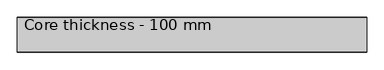
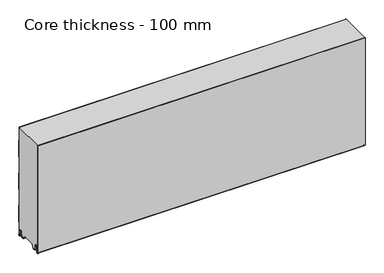
"""IFC4 building model written with IfcOpenShell, lengths in millimetres: plate geometry, Core thickness - 100 mm."""

from ifc_helpers import new_model, si_unit, frame, origin, place, context, project, spatial, polyline, circle_curve, source, transform, mapped, element, save
from ifc_brep_helpers import plane_surface, cylinder_surface, revolved_surface, advanced_brep


def core_thickness_100_mm_38ef90a8(model_context):
    return source(origin(), model_context, "Body", "AdvancedBrep", [
        advanced_brep(
        [(500.0000002, -99.9996949, 3.0900682), (500.0000002, -93.81449, 2.7875612), (500.0000002, -92.197116, 19.2828169), (500.0000002, -89.1776715, 21.9898782), (500.0000002, -86.1582271, 19.2828169), (500.0000002, -84.7725998, 5.1510966), (500.0000002, -80.3830995, 5.365779), (500.0000002, -81.1830995, 5.365779), (500.0000002, -83.9764178, 5.2291629), (500.0000002, -85.3620451, 19.3608832), (500.0000002, -89.1776715, 22.7899182), (500.0000002, -92.9932979, 19.3608832), (500.0000002, -94.6106719, 2.8656275), (500.0000002, -99.1996949, 3.0900682), (500.0000002, -99.2, 350.0), (500.0000002, -99.9996949, 350.0), (-500.0000002, -99.1996949, 3.0900682), (-500.0000002, -94.6106719, 2.8656275), (-500.0000002, -92.9932979, 19.3608832), (-500.0000002, -89.1776715, 22.7899182), (-500.0000002, -85.3620451, 19.3608832), (-500.0000002, -83.9764178, 5.2291629), (-500.0000002, -81.1830995, 5.365779), (-500.0000002, -80.3830995, 5.365779), (-500.0000002, -84.7725998, 5.1510966), (-500.0000002, -86.1582271, 19.2828169), (-500.0000002, -89.1776715, 21.9898782), (-500.0000002, -92.197116, 19.2828169), (-500.0000002, -93.81449, 2.7875612), (-500.0000002, -99.9996949, 3.0900682), (-500.0000002, -99.9996949, 350.0), (-500.0000002, -99.2, 350.0)],
        [
            (0, 1, circle_curve(frame((500.0000002, -96.8996949, 3.0900682), z_axis=(1.0, 0.0, 0.0), x_axis=(0.0, 0.0, -1.0)), 3.1)),
            (1, 2),
            (2, 3, circle_curve(frame((500.0000002, -89.2114338, 18.9900682), z_axis=(-1.0, 0.0, 0.0), x_axis=(0.0, 0.0, -1.0)), 3.0)),
            (3, 4, circle_curve(frame((500.0000002, -89.1439093, 18.9900682), z_axis=(-1.0, 0.0, 0.0), x_axis=(0.0, 0.0, -1.0)), 3.0)),
            (4, 5),
            (5, 6, circle_curve(frame((500.0000002, -82.5830995, 5.365779), z_axis=(1.0, 0.0, 0.0), x_axis=(0.0, 0.0, -1.0)), 2.2)),
            (6, 7),
            (7, 8, circle_curve(frame((500.0000002, -82.5830995, 5.365779), z_axis=(-1.0, 0.0, 0.0), x_axis=(0.0, 0.0, -1.0)), 1.4)),
            (8, 9),
            (9, 10, circle_curve(frame((500.0000002, -89.1439093, 18.9900682), z_axis=(1.0, 0.0, 0.0), x_axis=(0.0, 0.0, -1.0)), 3.8)),
            (10, 11, circle_curve(frame((500.0000002, -89.2114338, 18.9900682), z_axis=(1.0, 0.0, 0.0), x_axis=(0.0, 0.0, -1.0)), 3.8)),
            (11, 12),
            (12, 13, circle_curve(frame((500.0000002, -96.8996949, 3.0900682), z_axis=(-1.0, 0.0, 0.0), x_axis=(0.0, 0.0, -1.0)), 2.3)),
            (13, 14),
            (14, 15),
            (15, 0),
            (16, 17, circle_curve(frame((-500.0000002, -96.8996949, 3.0900682), z_axis=(1.0, 0.0, 0.0), x_axis=(0.0, 0.0, -1.0)), 2.3)),
            (17, 18),
            (18, 19, circle_curve(frame((-500.0000002, -89.2114338, 18.9900682), z_axis=(-1.0, 0.0, 0.0), x_axis=(0.0, 0.0, -1.0)), 3.8)),
            (19, 20, circle_curve(frame((-500.0000002, -89.1439093, 18.9900682), z_axis=(-1.0, 0.0, 0.0), x_axis=(0.0, 0.0, -1.0)), 3.8)),
            (20, 21),
            (21, 22, circle_curve(frame((-500.0000002, -82.5830995, 5.365779), z_axis=(1.0, 0.0, 0.0), x_axis=(0.0, 0.0, -1.0)), 1.4)),
            (22, 23),
            (23, 24, circle_curve(frame((-500.0000002, -82.5830995, 5.365779), z_axis=(-1.0, 0.0, 0.0), x_axis=(0.0, 0.0, -1.0)), 2.2)),
            (24, 25),
            (25, 26, circle_curve(frame((-500.0000002, -89.1439093, 18.9900682), z_axis=(1.0, 0.0, 0.0), x_axis=(0.0, 0.0, -1.0)), 3.0)),
            (26, 27, circle_curve(frame((-500.0000002, -89.2114338, 18.9900682), z_axis=(1.0, 0.0, 0.0), x_axis=(0.0, 0.0, -1.0)), 3.0)),
            (27, 28),
            (28, 29, circle_curve(frame((-500.0000002, -96.8996949, 3.0900682), z_axis=(-1.0, 0.0, 0.0), x_axis=(0.0, 0.0, -1.0)), 3.1)),
            (29, 30),
            (30, 31),
            (31, 16),
            (13, 16),
            (31, 14),
            (29, 0),
            (15, 30),
            (12, 17),
            (11, 18),
            (10, 19),
            (9, 20),
            (8, 21),
            (7, 22),
            (6, 23),
            (5, 24),
            (4, 25),
            (3, 26),
            (2, 27),
            (1, 28),
        ],
        [
            plane_surface(frame((500.0000002, -100.0, 0.0), z_axis=(1.0, 0.0, 0.0), x_axis=(0.0, 1.0, 0.0))),
            plane_surface(frame((-500.0000002, -100.0, 0.0), z_axis=(-1.0, 0.0, 0.0), x_axis=(0.0, 1.0, 0.0))),
            plane_surface(frame((500.0000002, -99.2, 3.0900682), z_axis=(0.0, 1.0, 0.0), x_axis=(-1.0, 0.0, 0.0))),
            plane_surface(frame((500.0000002, -99.9996949, 1143.9000005), z_axis=(0.0, -1.0, 0.0), x_axis=(-1.0, 0.0, 0.0))),
            revolved_surface(polyline([(-500.0000002, -96.8996949, 0.7900682000000003), (500.0000002, -96.8996949, 0.7900682000000003)]), (500.0000002, -96.8996949, 3.0900682), (-1.0, 0.0, 0.0)),
            plane_surface(frame((500.0000002, -92.9932979, 19.3608832), z_axis=(0.0, -0.9952273999818314, 0.09758289975914787), x_axis=(-1.0, 0.0, 0.0))),
            cylinder_surface(frame((500.0000002, -89.2114338, 18.9900682), z_axis=(1.0, 0.0, 0.0), x_axis=(0.0, 0.0, -1.0)), 3.8),
            cylinder_surface(frame((500.0000002, -89.1439093, 18.9900682), z_axis=(1.0, 0.0, 0.0), x_axis=(0.0, 0.0, -1.0)), 3.8),
            plane_surface(frame((500.0000002, -83.9764178, 5.2291629), z_axis=(0.0, 0.9952273999818297, 0.09758289975916531), x_axis=(-1.0, 0.0, 0.0))),
            revolved_surface(polyline([(-500.0000002, -82.5830995, 3.965779), (500.0000002, -82.5830995, 3.965779)]), (500.0000002, -82.5830995, 5.365779), (-1.0, 0.0, 0.0)),
            plane_surface(frame((500.0000002, -80.3830995, 5.365779), z_axis=(0.0, 0.0, 1.0), x_axis=(-1.0, 0.0, 0.0))),
            cylinder_surface(frame((500.0000002, -82.5830995, 5.365779), z_axis=(1.0, 0.0, 0.0), x_axis=(0.0, 0.0, -1.0)), 2.2),
            plane_surface(frame((500.0000002, -86.1582271, 19.2828169), z_axis=(0.0, -0.9952273999818296, -0.09758289975916527), x_axis=(-1.0, 0.0, 0.0))),
            revolved_surface(polyline([(-500.0000002, -89.1439093, 15.9900682), (500.0000002, -89.1439093, 15.9900682)]), (500.0000002, -89.1439093, 18.9900682), (-1.0, 0.0, 0.0)),
            revolved_surface(polyline([(-500.0000002, -89.2114338, 15.9900682), (500.0000002, -89.2114338, 15.9900682)]), (500.0000002, -89.2114338, 18.9900682), (-1.0, 0.0, 0.0)),
            plane_surface(frame((500.0000002, -93.81449, 2.7875612), z_axis=(0.0, 0.9952273999818314, -0.09758289975914787), x_axis=(-1.0, 0.0, 0.0))),
            cylinder_surface(frame((500.0000002, -96.8996949, 3.0900682), z_axis=(1.0, 0.0, 0.0), x_axis=(0.0, 0.0, -1.0)), 3.1),
            plane_surface(frame((-500.0000002, 134.0533409, 350.0), z_axis=(0.0, 0.0, 1.0), x_axis=(1.0, 0.0, 0.0))),
        ],
        [
            (0, [[1, 2, 3, 4, 5, 6, 7, 8, 9, 10, 11, 12, 13, 14, 15, 16]]),
            (1, [[17, 18, 19, 20, 21, 22, 23, 24, 25, 26, 27, 28, 29, 30, 31, 32]]),
            (2, [[33, -32, 34, -14]]),
            (3, [[35, -16, 36, -30]]),
            (4, [[-13, 37, -17, -33]]),
            (5, [[-12, 38, -18, -37]]),
            (6, [[-11, 39, -19, -38]]),
            (7, [[-10, 40, -20, -39]]),
            (8, [[-9, 41, -21, -40]]),
            (9, [[-8, 42, -22, -41]]),
            (10, [[-7, 43, -23, -42]]),
            (11, [[-6, 44, -24, -43]]),
            (12, [[-5, 45, -25, -44]]),
            (13, [[-4, 46, -26, -45]]),
            (14, [[-3, 47, -27, -46]]),
            (15, [[-2, 48, -28, -47]]),
            (16, [[-1, -35, -29, -48]]),
            (17, [[-15, -34, -31, -36]]),
        ],
    ),
        advanced_brep(
        [(500.0000002, -69.873448, 15.1417681), (500.0000002, -30.126552, 15.1417681), (500.0000002, -23.4071318, 3.165779), (500.0000002, -17.4169005, 3.165779), (500.0000002, -19.6169005, 5.365779), (500.0000002, -18.8169005, 5.365779), (500.0000002, -16.0235822, 5.2291629), (500.0000002, -14.6379549, 19.3608832), (500.0000002, -10.8223285, 22.7899182), (500.0000002, -7.0067021, 19.3608832), (500.0000002, -5.3893281, 2.8656275), (500.0000002, -1.0794848, 4.1883784), (500.0000002, -1.5003051, 5.8439114), (500.0000002, -1.5003051, 42.0511837), (500.0000002, -1.0971009, 43.4705951), (500.0000002, -0.8, 44.5229805), (500.0000002, -0.8, 94.6827637), (500.0000002, -1.0986697, 95.7341795), (500.0000002, -1.5003051, 97.1545605), (500.0000002, -1.5003051, 147.3143437), (500.0000002, -1.0971009, 148.7337551), (500.0000002, -0.8, 149.7861405), (500.0000002, -0.8, 199.9459237), (500.0000002, -1.0986697, 200.9973395), (500.0000002, -1.5003051, 202.4177205), (500.0000002, -1.5003051, 252.5775037), (500.0000002, -1.0971009, 253.9969151), (500.0000002, -0.8, 255.0493005), (500.0000002, -0.8, 305.2090837), (500.0000002, -1.0986697, 306.2604995), (500.0000002, -1.5003051, 307.6808805), (500.0000002, -1.5003051, 350.0), (500.0000002, -99.2, 350.0), (500.0000002, -99.2, 3.0900682), (500.0000002, -94.6106719, 2.8656275), (500.0000002, -92.9932979, 19.3608832), (500.0000002, -89.1776715, 22.7899182), (500.0000002, -85.3620451, 19.3608832), (500.0000002, -83.9764178, 5.2291629), (500.0000002, -81.1830995, 5.365779), (500.0000002, -80.3830995, 5.365779), (500.0000002, -82.5830995, 3.165779), (500.0000002, -76.5928682, 3.165779), (-500.0000002, -30.126552, 15.1417681), (-500.0000002, -69.873448, 15.1417681), (-500.0000002, -76.5928682, 3.165779), (-500.0000002, -82.5830995, 3.165779), (-500.0000002, -80.3830995, 5.365779), (-500.0000002, -81.1830995, 5.365779), (-500.0000002, -83.9764178, 5.2291629), (-500.0000002, -85.3620451, 19.3608832), (-500.0000002, -89.1776715, 22.7899182), (-500.0000002, -92.9932979, 19.3608832), (-500.0000002, -94.6106719, 2.8656275), (-500.0000002, -99.1996949, 3.0900682), (-500.0000002, -99.2, 350.0), (-500.0000002, -1.5003051, 350.0), (-500.0000002, -1.5003051, 307.6808805), (-500.0000002, -1.0971009, 306.2614691), (-500.0000002, -0.8, 305.2090837), (-500.0000002, -0.8, 255.0493005), (-500.0000002, -1.0986697, 253.9978846), (-500.0000002, -1.5003051, 252.5775037), (-500.0000002, -1.5003051, 202.4177205), (-500.0000002, -1.0971009, 200.9983091), (-500.0000002, -0.8, 199.9459237), (-500.0000002, -0.8, 149.7861405), (-500.0000002, -1.0986697, 148.7347246), (-500.0000002, -1.5003051, 147.3143437), (-500.0000002, -1.5003051, 97.1545605), (-500.0000002, -1.0971009, 95.7351491), (-500.0000002, -0.8, 94.6827637), (-500.0000002, -0.8, 44.5229805), (-500.0000002, -1.0986697, 43.4715646), (-500.0000002, -1.5003051, 42.0511837), (-500.0000002, -1.5003051, 5.8439114), (-500.0000002, -1.0794848, 4.1883784), (-500.0000002, -5.3893281, 2.8656275), (-500.0000002, -7.0067021, 19.3608832), (-500.0000002, -10.8223285, 22.7899182), (-500.0000002, -14.6379549, 19.3608832), (-500.0000002, -16.0235822, 5.2291629), (-500.0000002, -18.8169005, 5.365779), (-500.0000002, -19.6169005, 5.365779), (-500.0000002, -17.4169005, 3.165779), (-500.0000002, -23.4071318, 3.165779)],
        [
            (0, 1),
            (1, 2),
            (2, 3),
            (3, 4, circle_curve(frame((500.0000002, -17.4169005, 5.365779), z_axis=(-1.0, 0.0, 0.0), x_axis=(0.0, 0.0, -1.0)), 2.2)),
            (4, 5),
            (5, 6, circle_curve(frame((500.0000002, -17.4169005, 5.365779), z_axis=(1.0, 0.0, 0.0), x_axis=(0.0, 0.0, -1.0)), 1.4)),
            (6, 7),
            (7, 8, circle_curve(frame((500.0000002, -10.8560907, 18.9900682), z_axis=(-1.0, 0.0, 0.0), x_axis=(0.0, 0.0, -1.0)), 3.8)),
            (8, 9, circle_curve(frame((500.0000002, -10.7885662, 18.9900682), z_axis=(-1.0, 0.0, 0.0), x_axis=(0.0, 0.0, -1.0)), 3.8)),
            (9, 10),
            (10, 11, circle_curve(frame((500.0000002, -3.1003051, 3.0900682), z_axis=(1.0, 0.0, 0.0), x_axis=(0.0, 0.0, -1.0)), 2.3)),
            (11, 12, circle_curve(frame((500.0000002, 1.9665895, 5.8439114), z_axis=(-1.0, 0.0, 0.0), x_axis=(0.0, 0.0, -1.0)), 3.4668946)),
            (12, 13),
            (13, 14, circle_curve(frame((500.0000002, 1.1996949, 42.0511837), z_axis=(-1.0, 0.0, 0.0), x_axis=(0.0, 0.0, -1.0)), 2.7)),
            (14, 15, circle_curve(frame((500.0000002, -2.8, 44.5229805), z_axis=(1.0, 0.0, 0.0), x_axis=(0.0, 0.0, -1.0)), 2.0)),
            (15, 16),
            (16, 17, circle_curve(frame((500.0000002, -2.8, 94.6827637), z_axis=(1.0, 0.0, 0.0), x_axis=(0.0, 0.0, -1.0)), 2.0)),
            (17, 18, circle_curve(frame((500.0000002, 1.1996949, 97.1545605), z_axis=(-1.0, 0.0, 0.0), x_axis=(0.0, 0.0, -1.0)), 2.7)),
            (18, 19),
            (19, 20, circle_curve(frame((500.0000002, 1.1996949, 147.3143437), z_axis=(-1.0, 0.0, 0.0), x_axis=(0.0, 0.0, -1.0)), 2.7)),
            (20, 21, circle_curve(frame((500.0000002, -2.8, 149.7861405), z_axis=(1.0, 0.0, 0.0), x_axis=(0.0, 0.0, -1.0)), 2.0)),
            (21, 22),
            (22, 23, circle_curve(frame((500.0000002, -2.8, 199.9459237), z_axis=(1.0, 0.0, 0.0), x_axis=(0.0, 0.0, -1.0)), 2.0)),
            (23, 24, circle_curve(frame((500.0000002, 1.1996949, 202.4177205), z_axis=(-1.0, 0.0, 0.0), x_axis=(0.0, 0.0, -1.0)), 2.7)),
            (24, 25),
            (25, 26, circle_curve(frame((500.0000002, 1.1996949, 252.5775037), z_axis=(-1.0, 0.0, 0.0), x_axis=(0.0, 0.0, -1.0)), 2.7)),
            (26, 27, circle_curve(frame((500.0000002, -2.8, 255.0493005), z_axis=(1.0, 0.0, 0.0), x_axis=(0.0, 0.0, -1.0)), 2.0)),
            (27, 28),
            (28, 29, circle_curve(frame((500.0000002, -2.8, 305.2090837), z_axis=(1.0, 0.0, 0.0), x_axis=(0.0, 0.0, -1.0)), 2.0)),
            (29, 30, circle_curve(frame((500.0000002, 1.1996949, 307.6808805), z_axis=(-1.0, 0.0, 0.0), x_axis=(0.0, 0.0, -1.0)), 2.7)),
            (30, 31),
            (31, 32),
            (32, 33),
            (33, 34, circle_curve(frame((500.0000002, -96.8996949, 3.0900682), z_axis=(1.0, 0.0, 0.0), x_axis=(0.0, 0.0, -1.0)), 2.3)),
            (34, 35),
            (35, 36, circle_curve(frame((500.0000002, -89.2114338, 18.9900682), z_axis=(-1.0, 0.0, 0.0), x_axis=(0.0, 0.0, -1.0)), 3.8)),
            (36, 37, circle_curve(frame((500.0000002, -89.1439093, 18.9900682), z_axis=(-1.0, 0.0, 0.0), x_axis=(0.0, 0.0, -1.0)), 3.8)),
            (37, 38),
            (38, 39, circle_curve(frame((500.0000002, -82.5830995, 5.365779), z_axis=(1.0, 0.0, 0.0), x_axis=(0.0, 0.0, -1.0)), 1.4)),
            (39, 40),
            (40, 41, circle_curve(frame((500.0000002, -82.5830995, 5.365779), z_axis=(-1.0, 0.0, 0.0), x_axis=(0.0, 0.0, -1.0)), 2.2)),
            (41, 42),
            (42, 0),
            (43, 44),
            (44, 45),
            (45, 46),
            (46, 47, circle_curve(frame((-500.0000002, -82.5830995, 5.365779), z_axis=(1.0, 0.0, 0.0), x_axis=(0.0, 0.0, -1.0)), 2.2)),
            (47, 48),
            (48, 49, circle_curve(frame((-500.0000002, -82.5830995, 5.365779), z_axis=(-1.0, 0.0, 0.0), x_axis=(0.0, 0.0, -1.0)), 1.4)),
            (49, 50),
            (50, 51, circle_curve(frame((-500.0000002, -89.1439093, 18.9900682), z_axis=(1.0, 0.0, 0.0), x_axis=(0.0, 0.0, -1.0)), 3.8)),
            (51, 52, circle_curve(frame((-500.0000002, -89.2114338, 18.9900682), z_axis=(1.0, 0.0, 0.0), x_axis=(0.0, 0.0, -1.0)), 3.8)),
            (52, 53),
            (53, 54, circle_curve(frame((-500.0000002, -96.8996949, 3.0900682), z_axis=(-1.0, 0.0, 0.0), x_axis=(0.0, 0.0, -1.0)), 2.3)),
            (54, 55),
            (55, 56),
            (56, 57),
            (57, 58, circle_curve(frame((-500.0000002, 1.1996949, 307.6808805), z_axis=(1.0, 0.0, 0.0), x_axis=(0.0, 0.0, -1.0)), 2.7)),
            (58, 59, circle_curve(frame((-500.0000002, -2.8, 305.2090837), z_axis=(-1.0, 0.0, 0.0), x_axis=(0.0, 0.0, -1.0)), 2.0)),
            (59, 60),
            (60, 61, circle_curve(frame((-500.0000002, -2.8, 255.0493005), z_axis=(-1.0, 0.0, 0.0), x_axis=(0.0, 0.0, -1.0)), 2.0)),
            (61, 62, circle_curve(frame((-500.0000002, 1.1996949, 252.5775037), z_axis=(1.0, 0.0, 0.0), x_axis=(0.0, 0.0, -1.0)), 2.7)),
            (62, 63),
            (63, 64, circle_curve(frame((-500.0000002, 1.1996949, 202.4177205), z_axis=(1.0, 0.0, 0.0), x_axis=(0.0, 0.0, -1.0)), 2.7)),
            (64, 65, circle_curve(frame((-500.0000002, -2.8, 199.9459237), z_axis=(-1.0, 0.0, 0.0), x_axis=(0.0, 0.0, -1.0)), 2.0)),
            (65, 66),
            (66, 67, circle_curve(frame((-500.0000002, -2.8, 149.7861405), z_axis=(-1.0, 0.0, 0.0), x_axis=(0.0, 0.0, -1.0)), 2.0)),
            (67, 68, circle_curve(frame((-500.0000002, 1.1996949, 147.3143437), z_axis=(1.0, 0.0, 0.0), x_axis=(0.0, 0.0, -1.0)), 2.7)),
            (68, 69),
            (69, 70, circle_curve(frame((-500.0000002, 1.1996949, 97.1545605), z_axis=(1.0, 0.0, 0.0), x_axis=(0.0, 0.0, -1.0)), 2.7)),
            (70, 71, circle_curve(frame((-500.0000002, -2.8, 94.6827637), z_axis=(-1.0, 0.0, 0.0), x_axis=(0.0, 0.0, -1.0)), 2.0)),
            (71, 72),
            (72, 73, circle_curve(frame((-500.0000002, -2.8, 44.5229805), z_axis=(-1.0, 0.0, 0.0), x_axis=(0.0, 0.0, -1.0)), 2.0)),
            (73, 74, circle_curve(frame((-500.0000002, 1.1996949, 42.0511837), z_axis=(1.0, 0.0, 0.0), x_axis=(0.0, 0.0, -1.0)), 2.7)),
            (74, 75),
            (75, 76, circle_curve(frame((-500.0000002, 1.9665895, 5.8439114), z_axis=(1.0, 0.0, 0.0), x_axis=(0.0, 0.0, -1.0)), 3.4668946)),
            (76, 77, circle_curve(frame((-500.0000002, -3.1003051, 3.0900682), z_axis=(-1.0, 0.0, 0.0), x_axis=(0.0, 0.0, -1.0)), 2.3)),
            (77, 78),
            (78, 79, circle_curve(frame((-500.0000002, -10.7885662, 18.9900682), z_axis=(1.0, 0.0, 0.0), x_axis=(0.0, 0.0, -1.0)), 3.8)),
            (79, 80, circle_curve(frame((-500.0000002, -10.8560907, 18.9900682), z_axis=(1.0, 0.0, 0.0), x_axis=(0.0, 0.0, -1.0)), 3.8)),
            (80, 81),
            (81, 82, circle_curve(frame((-500.0000002, -17.4169005, 5.365779), z_axis=(-1.0, 0.0, 0.0), x_axis=(0.0, 0.0, -1.0)), 1.4)),
            (82, 83),
            (83, 84, circle_curve(frame((-500.0000002, -17.4169005, 5.365779), z_axis=(1.0, 0.0, 0.0), x_axis=(0.0, 0.0, -1.0)), 2.2)),
            (84, 85),
            (85, 43),
            (1, 43),
            (85, 2),
            (0, 44),
            (42, 45),
            (64, 23),
            (22, 65),
            (63, 24),
            (62, 25),
            (61, 26),
            (60, 27),
            (59, 28),
            (58, 29),
            (57, 30),
            (56, 31),
            (54, 33),
            (32, 55),
            (84, 3),
            (41, 46),
            (83, 4),
            (82, 5),
            (81, 6),
            (80, 7),
            (79, 8),
            (78, 9),
            (77, 10),
            (76, 11),
            (75, 12),
            (74, 13),
            (73, 14),
            (72, 15),
            (71, 16),
            (70, 17),
            (69, 18),
            (68, 19),
            (67, 20),
            (66, 21),
            (53, 34),
            (52, 35),
            (51, 36),
            (50, 37),
            (49, 38),
            (48, 39),
            (47, 40),
        ],
        [
            plane_surface(frame((500.0000002, 0.0, 0.0), z_axis=(1.0, 0.0, 0.0), x_axis=(0.0, -1.0, 0.0))),
            plane_surface(frame((-500.0000002, 0.0, 0.0), z_axis=(-1.0, 0.0, 0.0), x_axis=(0.0, -1.0, 0.0))),
            plane_surface(frame((500.0000002, -30.126552, 15.1417681), z_axis=(0.0, -0.8721062992196836, -0.4893164649399687), x_axis=(-1.0, 0.0, 0.0))),
            plane_surface(frame((500.0000002, -69.873448, 15.1417681), z_axis=(0.0, 0.0, -1.0), x_axis=(-1.0, 0.0, 0.0))),
            plane_surface(frame((500.0000002, -76.8190247, 2.7627014), z_axis=(0.0, 0.8721062992196852, -0.48931646493996606), x_axis=(-1.0, 0.0, 0.0))),
            cylinder_surface(frame((630.0000002, -2.8, 199.9459237), z_axis=(-1.0, 0.0, 0.0), x_axis=(0.0, 0.0, -1.0)), 2.0),
            revolved_surface(polyline([(500.0000002, 1.1996949, 199.7177205), (-500.00000020000004, 1.1996949, 199.7177205)]), (630.0000002, 1.1996949, 202.4177205), (1.0, 0.0, 0.0)),
            plane_surface(frame((630.0000002, -1.5003051, 252.5775037), z_axis=(0.0, 1.0, 0.0), x_axis=(-1.0, 0.0, 0.0))),
            revolved_surface(polyline([(500.0000002, 1.1996949, 249.8775037), (-500.00000020000004, 1.1996949, 249.8775037)]), (630.0000002, 1.1996949, 252.5775037), (1.0, 0.0, 0.0)),
            cylinder_surface(frame((630.0000002, -2.8, 255.0493005), z_axis=(-1.0, 0.0, 0.0), x_axis=(0.0, 0.0, -1.0)), 2.0),
            plane_surface(frame((630.0000002, -0.8, 305.2090837), z_axis=(0.0, 1.0, 0.0), x_axis=(-1.0, 0.0, 0.0))),
            cylinder_surface(frame((630.0000002, -2.8, 305.2090837), z_axis=(-1.0, 0.0, 0.0), x_axis=(0.0, 0.0, -1.0)), 2.0),
            revolved_surface(polyline([(500.0000002, 1.1996949, 304.9808805), (-500.00000020000004, 1.1996949, 304.9808805)]), (630.0000002, 1.1996949, 307.6808805), (1.0, 0.0, 0.0)),
            plane_surface(frame((630.0000002, -1.5003051, 357.8406637), z_axis=(0.0, 1.0, 0.0), x_axis=(-1.0, 0.0, 0.0))),
            plane_surface(frame((630.0000002, -99.2, 3.0900682), z_axis=(0.0, -1.0, 0.0), x_axis=(-1.0, 0.0, 0.0))),
            plane_surface(frame((-500.0000002, -82.5830995, 3.165779), z_axis=(0.0, 0.0, -1.0), x_axis=(1.0, 0.0, 0.0))),
            revolved_surface(polyline([(500.0000002, -17.4169005, 3.1657789999999997), (-500.00000020000004, -17.4169005, 3.1657789999999997)]), (630.0000002, -17.4169005, 5.365779), (1.0, 0.0, 0.0)),
            plane_surface(frame((630.0000002, -18.8169005, 5.365779), z_axis=(0.0, 0.0, -1.0), x_axis=(-1.0, 0.0, 0.0))),
            cylinder_surface(frame((630.0000002, -17.4169005, 5.365779), z_axis=(-1.0, 0.0, 0.0), x_axis=(0.0, 0.0, -1.0)), 1.4),
            plane_surface(frame((630.0000002, -14.6379549, 19.3608832), z_axis=(0.0, 0.9952273999818297, -0.09758289975916531), x_axis=(-1.0, 0.0, 0.0))),
            revolved_surface(polyline([(500.0000002, -10.8560907, 15.190068199999999), (-500.00000020000004, -10.8560907, 15.190068199999999)]), (630.0000002, -10.8560907, 18.9900682), (1.0, 0.0, 0.0)),
            revolved_surface(polyline([(500.0000002, -10.7885662, 15.190068199999999), (-500.00000020000004, -10.7885662, 15.190068199999999)]), (630.0000002, -10.7885662, 18.9900682), (1.0, 0.0, 0.0)),
            plane_surface(frame((630.0000002, -5.3893281, 2.8656275), z_axis=(0.0, -0.9952273999818314, -0.09758289975914787), x_axis=(-1.0, 0.0, 0.0))),
            cylinder_surface(frame((630.0000002, -3.1003051, 3.0900682), z_axis=(-1.0, 0.0, 0.0), x_axis=(0.0, 0.0, -1.0)), 2.3),
            revolved_surface(polyline([(500.0000002, 1.9665895, 2.3770168), (-500.00000020000004, 1.9665895, 2.3770168)]), (630.0000002, 1.9665895, 5.8439114), (1.0, 0.0, 0.0)),
            plane_surface(frame((630.0000002, -1.5003051, 42.0511837), z_axis=(0.0, 1.0, 0.0), x_axis=(-1.0, 0.0, 0.0))),
            revolved_surface(polyline([(500.0000002, 1.1996949, 39.3511837), (-500.00000020000004, 1.1996949, 39.3511837)]), (630.0000002, 1.1996949, 42.0511837), (1.0, 0.0, 0.0)),
            cylinder_surface(frame((630.0000002, -2.8, 44.5229805), z_axis=(-1.0, 0.0, 0.0), x_axis=(0.0, 0.0, -1.0)), 2.0),
            plane_surface(frame((630.0000002, -0.8, 94.6827637), z_axis=(0.0, 1.0, 0.0), x_axis=(-1.0, 0.0, 0.0))),
            cylinder_surface(frame((630.0000002, -2.8, 94.6827637), z_axis=(-1.0, 0.0, 0.0), x_axis=(0.0, 0.0, -1.0)), 2.0),
            revolved_surface(polyline([(500.0000002, 1.1996949, 94.4545605), (-500.00000020000004, 1.1996949, 94.4545605)]), (630.0000002, 1.1996949, 97.1545605), (1.0, 0.0, 0.0)),
            plane_surface(frame((630.0000002, -1.5003051, 147.3143437), z_axis=(0.0, 1.0, 0.0), x_axis=(-1.0, 0.0, 0.0))),
            revolved_surface(polyline([(500.0000002, 1.1996949, 144.6143437), (-500.00000020000004, 1.1996949, 144.6143437)]), (630.0000002, 1.1996949, 147.3143437), (1.0, 0.0, 0.0)),
            cylinder_surface(frame((630.0000002, -2.8, 149.7861405), z_axis=(-1.0, 0.0, 0.0), x_axis=(0.0, 0.0, -1.0)), 2.0),
            plane_surface(frame((630.0000002, -0.8, 199.9459237), z_axis=(0.0, 1.0, 0.0), x_axis=(-1.0, 0.0, 0.0))),
            cylinder_surface(frame((630.0000002, -96.8996949, 3.0900682), z_axis=(-1.0, 0.0, 0.0), x_axis=(0.0, 0.0, -1.0)), 2.3),
            plane_surface(frame((630.0000002, -92.9932979, 19.3608832), z_axis=(0.0, 0.9952273999818314, -0.09758289975914787), x_axis=(-1.0, 0.0, 0.0))),
            revolved_surface(polyline([(500.0000002, -89.2114338, 15.190068199999999), (-500.00000020000004, -89.2114338, 15.190068199999999)]), (630.0000002, -89.2114338, 18.9900682), (1.0, 0.0, 0.0)),
            revolved_surface(polyline([(500.0000002, -89.1439093, 15.190068199999999), (-500.00000020000004, -89.1439093, 15.190068199999999)]), (630.0000002, -89.1439093, 18.9900682), (1.0, 0.0, 0.0)),
            plane_surface(frame((630.0000002, -83.9764178, 5.2291629), z_axis=(0.0, -0.9952273999818297, -0.09758289975916531), x_axis=(-1.0, 0.0, 0.0))),
            cylinder_surface(frame((630.0000002, -82.5830995, 5.365779), z_axis=(-1.0, 0.0, 0.0), x_axis=(0.0, 0.0, -1.0)), 1.4),
            plane_surface(frame((630.0000002, -80.3830995, 5.365779), z_axis=(0.0, 0.0, -1.0), x_axis=(-1.0, 0.0, 0.0))),
            revolved_surface(polyline([(500.0000002, -82.5830995, 3.1657789999999997), (-500.00000020000004, -82.5830995, 3.1657789999999997)]), (630.0000002, -82.5830995, 5.365779), (1.0, 0.0, 0.0)),
            plane_surface(frame((-500.0000002, 134.0533409, 350.0), z_axis=(0.0, 0.0, 1.0), x_axis=(1.0, 0.0, 0.0))),
        ],
        [
            (0, [[1, 2, 3, 4, 5, 6, 7, 8, 9, 10, 11, 12, 13, 14, 15, 16, 17, 18, 19, 20, 21, 22, 23, 24, 25, 26, 27, 28, 29, 30, 31, 32, 33, 34, 35, 36, 37, 38, 39, 40, 41, 42, 43]]),
            (1, [[44, 45, 46, 47, 48, 49, 50, 51, 52, 53, 54, 55, 56, 57, 58, 59, 60, 61, 62, 63, 64, 65, 66, 67, 68, 69, 70, 71, 72, 73, 74, 75, 76, 77, 78, 79, 80, 81, 82, 83, 84, 85, 86]]),
            (2, [[87, -86, 88, -2]]),
            (3, [[-1, 89, -44, -87]]),
            (4, [[-89, -43, 90, -45]]),
            (5, [[91, -23, 92, -65]]),
            (6, [[-91, -64, 93, -24]]),
            (7, [[-93, -63, 94, -25]]),
            (8, [[-94, -62, 95, -26]]),
            (9, [[-95, -61, 96, -27]]),
            (10, [[-96, -60, 97, -28]]),
            (11, [[-97, -59, 98, -29]]),
            (12, [[-98, -58, 99, -30]]),
            (13, [[-99, -57, 100, -31]]),
            (14, [[101, -33, 102, -55]]),
            (15, [[-3, -88, -85, 103]]),
            (15, [[-42, 104, -46, -90]]),
            (16, [[105, -4, -103, -84]]),
            (17, [[-105, -83, 106, -5]]),
            (18, [[-106, -82, 107, -6]]),
            (19, [[-107, -81, 108, -7]]),
            (20, [[-108, -80, 109, -8]]),
            (21, [[-109, -79, 110, -9]]),
            (22, [[-110, -78, 111, -10]]),
            (23, [[-111, -77, 112, -11]]),
            (24, [[-112, -76, 113, -12]]),
            (25, [[-113, -75, 114, -13]]),
            (26, [[-114, -74, 115, -14]]),
            (27, [[-115, -73, 116, -15]]),
            (28, [[-116, -72, 117, -16]]),
            (29, [[-117, -71, 118, -17]]),
            (30, [[-118, -70, 119, -18]]),
            (31, [[-119, -69, 120, -19]]),
            (32, [[-120, -68, 121, -20]]),
            (33, [[-121, -67, 122, -21]]),
            (34, [[-122, -66, -92, -22]]),
            (35, [[-101, -54, 123, -34]]),
            (36, [[-123, -53, 124, -35]]),
            (37, [[-124, -52, 125, -36]]),
            (38, [[-125, -51, 126, -37]]),
            (39, [[-126, -50, 127, -38]]),
            (40, [[-127, -49, 128, -39]]),
            (41, [[-128, -48, 129, -40]]),
            (42, [[-129, -47, -104, -41]]),
            (43, [[-100, -56, -102, -32]]),
        ],
    ),
        advanced_brep(
        [(-500.0000002, -0.7003051, 307.6808805), (-500.0000002, -0.4016712, 306.6295226), (-500.0000002, -0.0003051, 305.2090837), (-500.0000002, -0.0003051, 255.0493005), (-500.0000002, -0.4034608, 253.6299674), (-500.0000002, -0.7003051, 252.5775037), (-500.0000002, -0.7003051, 202.4177205), (-500.0000002, -0.4016712, 201.3663626), (-500.0000002, -0.0003051, 199.9459237), (-500.0000002, -0.0003051, 149.7861405), (-500.0000002, -0.4034608, 148.3668074), (-500.0000002, -0.7003051, 147.3143437), (-500.0000002, -0.7003051, 97.1545605), (-500.0000002, -0.4016712, 96.1032026), (-500.0000002, -0.0003051, 94.6827637), (-500.0000002, -0.0003051, 44.5229805), (-500.0000002, -0.4034608, 43.1036474), (-500.0000002, -0.7003051, 42.0511837), (-500.0000002, -0.7003051, 6.8391397), (-500.0000002, -0.2091664, 4.208691), (-500.0000002, -6.18551, 2.7875612), (-500.0000002, -7.802884, 19.2828169), (-500.0000002, -10.8223285, 21.9898782), (-500.0000002, -13.8417729, 19.2828169), (-500.0000002, -15.2274002, 5.1510966), (-500.0000002, -19.6169005, 5.365779), (-500.0000002, -18.8169005, 5.365779), (-500.0000002, -16.0235822, 5.2291629), (-500.0000002, -14.6379549, 19.3608832), (-500.0000002, -10.8223285, 22.7899182), (-500.0000002, -7.0067021, 19.3608832), (-500.0000002, -5.3893281, 2.8656275), (-500.0000002, -1.0794848, 4.1883784), (-500.0000002, -1.5003051, 5.8439114), (-500.0000002, -1.5003051, 42.0511837), (-500.0000002, -1.0971009, 43.4705951), (-500.0000002, -0.8, 44.5229805), (-500.0000002, -0.8, 94.6827637), (-500.0000002, -1.0986697, 95.7341795), (-500.0000002, -1.5003051, 97.1545605), (-500.0000002, -1.5003051, 147.3143437), (-500.0000002, -1.0971009, 148.7337551), (-500.0000002, -0.8, 149.7861405), (-500.0000002, -0.8, 199.9459237), (-500.0000002, -1.0986697, 200.9973395), (-500.0000002, -1.5003051, 202.4177205), (-500.0000002, -1.5003051, 252.5775037), (-500.0000002, -1.0971009, 253.9969151), (-500.0000002, -0.8, 255.0493005), (-500.0000002, -0.8, 305.2090837), (-500.0000002, -1.0986697, 306.2604995), (-500.0000002, -1.5003051, 307.6808805), (-500.0000002, -1.5003051, 350.0), (-500.0000002, -0.7003051, 350.0), (500.0000002, -1.5003051, 307.6808805), (500.0000002, -1.0971009, 306.2614691), (500.0000002, -0.8, 305.2090837), (500.0000002, -0.8, 255.0493005), (500.0000002, -1.0986697, 253.9978846), (500.0000002, -1.5003051, 252.5775037), (500.0000002, -1.5003051, 202.4177205), (500.0000002, -1.0971009, 200.9983091), (500.0000002, -0.8, 199.9459237), (500.0000002, -0.8, 149.7861405), (500.0000002, -1.0986697, 148.7347246), (500.0000002, -1.5003051, 147.3143437), (500.0000002, -1.5003051, 97.1545605), (500.0000002, -1.0971009, 95.7351491), (500.0000002, -0.8, 94.6827637), (500.0000002, -0.8, 44.5229805), (500.0000002, -1.0986697, 43.4715646), (500.0000002, -1.5003051, 42.0511837), (500.0000002, -1.5003051, 5.8439114), (500.0000002, -1.0794848, 4.1883784), (500.0000002, -5.3893281, 2.8656275), (500.0000002, -7.0067021, 19.3608832), (500.0000002, -10.8223285, 22.7899182), (500.0000002, -14.6379549, 19.3608832), (500.0000002, -16.0235822, 5.2291629), (500.0000002, -18.8169005, 5.365779), (500.0000002, -19.6169005, 5.365779), (500.0000002, -15.2274002, 5.1510966), (500.0000002, -13.8417729, 19.2828169), (500.0000002, -10.8223285, 21.9898782), (500.0000002, -7.802884, 19.2828169), (500.0000002, -6.18551, 2.7875612), (500.0000002, -0.2091664, 4.208691), (500.0000002, -0.7003051, 6.8391397), (500.0000002, -0.7003051, 42.0511837), (500.0000002, -0.4016712, 43.1025415), (500.0000002, -0.0003051, 44.5229805), (500.0000002, -0.0003051, 94.6827637), (500.0000002, -0.4034608, 96.1020968), (500.0000002, -0.7003051, 97.1545605), (500.0000002, -0.7003051, 147.3143437), (500.0000002, -0.4016712, 148.3657015), (500.0000002, -0.0003051, 149.7861405), (500.0000002, -0.0003051, 199.9459237), (500.0000002, -0.4034608, 201.3652568), (500.0000002, -0.7003051, 202.4177205), (500.0000002, -0.7003051, 252.5775037), (500.0000002, -0.4016712, 253.6288615), (500.0000002, -0.0003051, 255.0493005), (500.0000002, -0.0003051, 305.2090837), (500.0000002, -0.4034608, 306.6284168), (500.0000002, -0.7003051, 307.6808805), (500.0000002, -0.7003051, 350.0), (500.0000002, -1.5003051, 350.0)],
        [
            (0, 1, circle_curve(frame((-500.0000002, 1.2996949, 307.6808805), z_axis=(1.0, 0.0, 0.0), x_axis=(0.0, 0.0, -1.0)), 2.0)),
            (1, 2, circle_curve(frame((-500.0000002, -2.7003051, 305.2090837), z_axis=(-1.0, 0.0, 0.0), x_axis=(0.0, 0.0, -1.0)), 2.7)),
            (2, 3),
            (3, 4, circle_curve(frame((-500.0000002, -2.7003051, 255.0493005), z_axis=(-1.0, 0.0, 0.0), x_axis=(0.0, 0.0, -1.0)), 2.7)),
            (4, 5, circle_curve(frame((-500.0000002, 1.2996949, 252.5775037), z_axis=(1.0, 0.0, 0.0), x_axis=(0.0, 0.0, -1.0)), 2.0)),
            (5, 6),
            (6, 7, circle_curve(frame((-500.0000002, 1.2996949, 202.4177205), z_axis=(1.0, 0.0, 0.0), x_axis=(0.0, 0.0, -1.0)), 2.0)),
            (7, 8, circle_curve(frame((-500.0000002, -2.7003051, 199.9459237), z_axis=(-1.0, 0.0, 0.0), x_axis=(0.0, 0.0, -1.0)), 2.7)),
            (8, 9),
            (9, 10, circle_curve(frame((-500.0000002, -2.7003051, 149.7861405), z_axis=(-1.0, 0.0, 0.0), x_axis=(0.0, 0.0, -1.0)), 2.7)),
            (10, 11, circle_curve(frame((-500.0000002, 1.2996949, 147.3143437), z_axis=(1.0, 0.0, 0.0), x_axis=(0.0, 0.0, -1.0)), 2.0)),
            (11, 12),
            (12, 13, circle_curve(frame((-500.0000002, 1.2996949, 97.1545605), z_axis=(1.0, 0.0, 0.0), x_axis=(0.0, 0.0, -1.0)), 2.0)),
            (13, 14, circle_curve(frame((-500.0000002, -2.7003051, 94.6827637), z_axis=(-1.0, 0.0, 0.0), x_axis=(0.0, 0.0, -1.0)), 2.7)),
            (14, 15),
            (15, 16, circle_curve(frame((-500.0000002, -2.7003051, 44.5229805), z_axis=(-1.0, 0.0, 0.0), x_axis=(0.0, 0.0, -1.0)), 2.7)),
            (16, 17, circle_curve(frame((-500.0000002, 1.2996949, 42.0511837), z_axis=(1.0, 0.0, 0.0), x_axis=(0.0, 0.0, -1.0)), 2.0)),
            (17, 18),
            (18, 19, circle_curve(frame((-500.0000002, 6.5893647, 6.8391397), z_axis=(1.0, 0.0, 0.0), x_axis=(0.0, 0.0, -1.0)), 7.2896698)),
            (19, 20, circle_curve(frame((-500.0000002, -3.1003051, 3.0900682), z_axis=(-1.0, 0.0, 0.0), x_axis=(0.0, 0.0, -1.0)), 3.1)),
            (20, 21),
            (21, 22, circle_curve(frame((-500.0000002, -10.7885662, 18.9900682), z_axis=(1.0, 0.0, 0.0), x_axis=(0.0, 0.0, -1.0)), 3.0)),
            (22, 23, circle_curve(frame((-500.0000002, -10.8560907, 18.9900682), z_axis=(1.0, 0.0, 0.0), x_axis=(0.0, 0.0, -1.0)), 3.0)),
            (23, 24),
            (24, 25, circle_curve(frame((-500.0000002, -17.4169005, 5.365779), z_axis=(-1.0, 0.0, 0.0), x_axis=(0.0, 0.0, -1.0)), 2.2)),
            (25, 26),
            (26, 27, circle_curve(frame((-500.0000002, -17.4169005, 5.365779), z_axis=(1.0, 0.0, 0.0), x_axis=(0.0, 0.0, -1.0)), 1.4)),
            (27, 28),
            (28, 29, circle_curve(frame((-500.0000002, -10.8560907, 18.9900682), z_axis=(-1.0, 0.0, 0.0), x_axis=(0.0, 0.0, -1.0)), 3.8)),
            (29, 30, circle_curve(frame((-500.0000002, -10.7885662, 18.9900682), z_axis=(-1.0, 0.0, 0.0), x_axis=(0.0, 0.0, -1.0)), 3.8)),
            (30, 31),
            (31, 32, circle_curve(frame((-500.0000002, -3.1003051, 3.0900682), z_axis=(1.0, 0.0, 0.0), x_axis=(0.0, 0.0, -1.0)), 2.3)),
            (32, 33, circle_curve(frame((-500.0000002, 1.9665895, 5.8439114), z_axis=(-1.0, 0.0, 0.0), x_axis=(0.0, 0.0, -1.0)), 3.4668946)),
            (33, 34),
            (34, 35, circle_curve(frame((-500.0000002, 1.1996949, 42.0511837), z_axis=(-1.0, 0.0, 0.0), x_axis=(0.0, 0.0, -1.0)), 2.7)),
            (35, 36, circle_curve(frame((-500.0000002, -2.8, 44.5229805), z_axis=(1.0, 0.0, 0.0), x_axis=(0.0, 0.0, -1.0)), 2.0)),
            (36, 37),
            (37, 38, circle_curve(frame((-500.0000002, -2.8, 94.6827637), z_axis=(1.0, 0.0, 0.0), x_axis=(0.0, 0.0, -1.0)), 2.0)),
            (38, 39, circle_curve(frame((-500.0000002, 1.1996949, 97.1545605), z_axis=(-1.0, 0.0, 0.0), x_axis=(0.0, 0.0, -1.0)), 2.7)),
            (39, 40),
            (40, 41, circle_curve(frame((-500.0000002, 1.1996949, 147.3143437), z_axis=(-1.0, 0.0, 0.0), x_axis=(0.0, 0.0, -1.0)), 2.7)),
            (41, 42, circle_curve(frame((-500.0000002, -2.8, 149.7861405), z_axis=(1.0, 0.0, 0.0), x_axis=(0.0, 0.0, -1.0)), 2.0)),
            (42, 43),
            (43, 44, circle_curve(frame((-500.0000002, -2.8, 199.9459237), z_axis=(1.0, 0.0, 0.0), x_axis=(0.0, 0.0, -1.0)), 2.0)),
            (44, 45, circle_curve(frame((-500.0000002, 1.1996949, 202.4177205), z_axis=(-1.0, 0.0, 0.0), x_axis=(0.0, 0.0, -1.0)), 2.7)),
            (45, 46),
            (46, 47, circle_curve(frame((-500.0000002, 1.1996949, 252.5775037), z_axis=(-1.0, 0.0, 0.0), x_axis=(0.0, 0.0, -1.0)), 2.7)),
            (47, 48, circle_curve(frame((-500.0000002, -2.8, 255.0493005), z_axis=(1.0, 0.0, 0.0), x_axis=(0.0, 0.0, -1.0)), 2.0)),
            (48, 49),
            (49, 50, circle_curve(frame((-500.0000002, -2.8, 305.2090837), z_axis=(1.0, 0.0, 0.0), x_axis=(0.0, 0.0, -1.0)), 2.0)),
            (50, 51, circle_curve(frame((-500.0000002, 1.1996949, 307.6808805), z_axis=(-1.0, 0.0, 0.0), x_axis=(0.0, 0.0, -1.0)), 2.7)),
            (51, 52),
            (52, 53),
            (53, 0),
            (54, 55, circle_curve(frame((500.0000002, 1.1996949, 307.6808805), z_axis=(1.0, 0.0, 0.0), x_axis=(0.0, 0.0, -1.0)), 2.7)),
            (55, 56, circle_curve(frame((500.0000002, -2.8, 305.2090837), z_axis=(-1.0, 0.0, 0.0), x_axis=(0.0, 0.0, -1.0)), 2.0)),
            (56, 57),
            (57, 58, circle_curve(frame((500.0000002, -2.8, 255.0493005), z_axis=(-1.0, 0.0, 0.0), x_axis=(0.0, 0.0, -1.0)), 2.0)),
            (58, 59, circle_curve(frame((500.0000002, 1.1996949, 252.5775037), z_axis=(1.0, 0.0, 0.0), x_axis=(0.0, 0.0, -1.0)), 2.7)),
            (59, 60),
            (60, 61, circle_curve(frame((500.0000002, 1.1996949, 202.4177205), z_axis=(1.0, 0.0, 0.0), x_axis=(0.0, 0.0, -1.0)), 2.7)),
            (61, 62, circle_curve(frame((500.0000002, -2.8, 199.9459237), z_axis=(-1.0, 0.0, 0.0), x_axis=(0.0, 0.0, -1.0)), 2.0)),
            (62, 63),
            (63, 64, circle_curve(frame((500.0000002, -2.8, 149.7861405), z_axis=(-1.0, 0.0, 0.0), x_axis=(0.0, 0.0, -1.0)), 2.0)),
            (64, 65, circle_curve(frame((500.0000002, 1.1996949, 147.3143437), z_axis=(1.0, 0.0, 0.0), x_axis=(0.0, 0.0, -1.0)), 2.7)),
            (65, 66),
            (66, 67, circle_curve(frame((500.0000002, 1.1996949, 97.1545605), z_axis=(1.0, 0.0, 0.0), x_axis=(0.0, 0.0, -1.0)), 2.7)),
            (67, 68, circle_curve(frame((500.0000002, -2.8, 94.6827637), z_axis=(-1.0, 0.0, 0.0), x_axis=(0.0, 0.0, -1.0)), 2.0)),
            (68, 69),
            (69, 70, circle_curve(frame((500.0000002, -2.8, 44.5229805), z_axis=(-1.0, 0.0, 0.0), x_axis=(0.0, 0.0, -1.0)), 2.0)),
            (70, 71, circle_curve(frame((500.0000002, 1.1996949, 42.0511837), z_axis=(1.0, 0.0, 0.0), x_axis=(0.0, 0.0, -1.0)), 2.7)),
            (71, 72),
            (72, 73, circle_curve(frame((500.0000002, 1.9665895, 5.8439114), z_axis=(1.0, 0.0, 0.0), x_axis=(0.0, 0.0, -1.0)), 3.4668946)),
            (73, 74, circle_curve(frame((500.0000002, -3.1003051, 3.0900682), z_axis=(-1.0, 0.0, 0.0), x_axis=(0.0, 0.0, -1.0)), 2.3)),
            (74, 75),
            (75, 76, circle_curve(frame((500.0000002, -10.7885662, 18.9900682), z_axis=(1.0, 0.0, 0.0), x_axis=(0.0, 0.0, -1.0)), 3.8)),
            (76, 77, circle_curve(frame((500.0000002, -10.8560907, 18.9900682), z_axis=(1.0, 0.0, 0.0), x_axis=(0.0, 0.0, -1.0)), 3.8)),
            (77, 78),
            (78, 79, circle_curve(frame((500.0000002, -17.4169005, 5.365779), z_axis=(-1.0, 0.0, 0.0), x_axis=(0.0, 0.0, -1.0)), 1.4)),
            (79, 80),
            (80, 81, circle_curve(frame((500.0000002, -17.4169005, 5.365779), z_axis=(1.0, 0.0, 0.0), x_axis=(0.0, 0.0, -1.0)), 2.2)),
            (81, 82),
            (82, 83, circle_curve(frame((500.0000002, -10.8560907, 18.9900682), z_axis=(-1.0, 0.0, 0.0), x_axis=(0.0, 0.0, -1.0)), 3.0)),
            (83, 84, circle_curve(frame((500.0000002, -10.7885662, 18.9900682), z_axis=(-1.0, 0.0, 0.0), x_axis=(0.0, 0.0, -1.0)), 3.0)),
            (84, 85),
            (85, 86, circle_curve(frame((500.0000002, -3.1003051, 3.0900682), z_axis=(1.0, 0.0, 0.0), x_axis=(0.0, 0.0, -1.0)), 3.1)),
            (86, 87, circle_curve(frame((500.0000002, 6.5893647, 6.8391397), z_axis=(-1.0, 0.0, 0.0), x_axis=(0.0, 0.0, -1.0)), 7.2896698)),
            (87, 88),
            (88, 89, circle_curve(frame((500.0000002, 1.2996949, 42.0511837), z_axis=(-1.0, 0.0, 0.0), x_axis=(0.0, 0.0, -1.0)), 2.0)),
            (89, 90, circle_curve(frame((500.0000002, -2.7003051, 44.5229805), z_axis=(1.0, 0.0, 0.0), x_axis=(0.0, 0.0, -1.0)), 2.7)),
            (90, 91),
            (91, 92, circle_curve(frame((500.0000002, -2.7003051, 94.6827637), z_axis=(1.0, 0.0, 0.0), x_axis=(0.0, 0.0, -1.0)), 2.7)),
            (92, 93, circle_curve(frame((500.0000002, 1.2996949, 97.1545605), z_axis=(-1.0, 0.0, 0.0), x_axis=(0.0, 0.0, -1.0)), 2.0)),
            (93, 94),
            (94, 95, circle_curve(frame((500.0000002, 1.2996949, 147.3143437), z_axis=(-1.0, 0.0, 0.0), x_axis=(0.0, 0.0, -1.0)), 2.0)),
            (95, 96, circle_curve(frame((500.0000002, -2.7003051, 149.7861405), z_axis=(1.0, 0.0, 0.0), x_axis=(0.0, 0.0, -1.0)), 2.7)),
            (96, 97),
            (97, 98, circle_curve(frame((500.0000002, -2.7003051, 199.9459237), z_axis=(1.0, 0.0, 0.0), x_axis=(0.0, 0.0, -1.0)), 2.7)),
            (98, 99, circle_curve(frame((500.0000002, 1.2996949, 202.4177205), z_axis=(-1.0, 0.0, 0.0), x_axis=(0.0, 0.0, -1.0)), 2.0)),
            (99, 100),
            (100, 101, circle_curve(frame((500.0000002, 1.2996949, 252.5775037), z_axis=(-1.0, 0.0, 0.0), x_axis=(0.0, 0.0, -1.0)), 2.0)),
            (101, 102, circle_curve(frame((500.0000002, -2.7003051, 255.0493005), z_axis=(1.0, 0.0, 0.0), x_axis=(0.0, 0.0, -1.0)), 2.7)),
            (102, 103),
            (103, 104, circle_curve(frame((500.0000002, -2.7003051, 305.2090837), z_axis=(1.0, 0.0, 0.0), x_axis=(0.0, 0.0, -1.0)), 2.7)),
            (104, 105, circle_curve(frame((500.0000002, 1.2996949, 307.6808805), z_axis=(-1.0, 0.0, 0.0), x_axis=(0.0, 0.0, -1.0)), 2.0)),
            (105, 106),
            (106, 107),
            (107, 54),
            (51, 54),
            (107, 52),
            (50, 55),
            (49, 56),
            (48, 57),
            (47, 58),
            (46, 59),
            (45, 60),
            (44, 61),
            (43, 62),
            (31, 74),
            (73, 32),
            (30, 75),
            (29, 76),
            (28, 77),
            (27, 78),
            (26, 79),
            (25, 80),
            (24, 81),
            (23, 82),
            (22, 83),
            (21, 84),
            (20, 85),
            (19, 86),
            (7, 98),
            (97, 8),
            (6, 99),
            (5, 100),
            (4, 101),
            (3, 102),
            (2, 103),
            (1, 104),
            (0, 105),
            (53, 106),
            (42, 63),
            (41, 64),
            (40, 65),
            (39, 66),
            (38, 67),
            (37, 68),
            (36, 69),
            (35, 70),
            (34, 71),
            (33, 72),
            (18, 87),
            (17, 88),
            (16, 89),
            (15, 90),
            (14, 91),
            (13, 92),
            (12, 93),
            (11, 94),
            (10, 95),
            (9, 96),
        ],
        [
            plane_surface(frame((-500.0000002, 0.0, 0.0), z_axis=(-1.0, 0.0, 0.0), x_axis=(0.0, -1.0, 0.0))),
            plane_surface(frame((500.0000002, 0.0, 0.0), z_axis=(1.0, 0.0, 0.0), x_axis=(0.0, -1.0, 0.0))),
            plane_surface(frame((-500.0000002, -1.5003051, 307.6808805), z_axis=(0.0, -1.0, 0.0), x_axis=(1.0, 0.0, 0.0))),
            cylinder_surface(frame((-500.0000002, 1.1996949, 307.6808805), z_axis=(-1.0, 0.0, 0.0), x_axis=(0.0, 0.0, -1.0)), 2.7),
            revolved_surface(polyline([(500.0000002, -2.8, 303.2090837), (-500.0000002, -2.8, 303.2090837)]), (-500.0000002, -2.8, 305.2090837), (1.0, 0.0, 0.0)),
            plane_surface(frame((-500.0000002, -0.8, 255.0493005), z_axis=(0.0, -1.0, 0.0), x_axis=(1.0, 0.0, 0.0))),
            revolved_surface(polyline([(500.0000002, -2.8, 253.0493005), (-500.0000002, -2.8, 253.0493005)]), (-500.0000002, -2.8, 255.0493005), (1.0, 0.0, 0.0)),
            cylinder_surface(frame((-500.0000002, 1.1996949, 252.5775037), z_axis=(-1.0, 0.0, 0.0), x_axis=(0.0, 0.0, -1.0)), 2.7),
            plane_surface(frame((-500.0000002, -1.5003051, 202.4177205), z_axis=(0.0, -1.0, 0.0), x_axis=(1.0, 0.0, 0.0))),
            cylinder_surface(frame((-500.0000002, 1.1996949, 202.4177205), z_axis=(-1.0, 0.0, 0.0), x_axis=(0.0, 0.0, -1.0)), 2.7),
            revolved_surface(polyline([(500.0000002, -2.8, 197.9459237), (-500.0000002, -2.8, 197.9459237)]), (-500.0000002, -2.8, 199.9459237), (1.0, 0.0, 0.0)),
            revolved_surface(polyline([(500.0000002, -3.1003051, 0.7900682000000003), (-500.0000002, -3.1003051, 0.7900682000000003)]), (-500.0000002, -3.1003051, 3.0900682), (1.0, 0.0, 0.0)),
            plane_surface(frame((-500.0000002, -7.0067021, 19.3608832), z_axis=(0.0, 0.9952273999818314, 0.09758289975914787), x_axis=(1.0, 0.0, 0.0))),
            cylinder_surface(frame((-500.0000002, -10.7885662, 18.9900682), z_axis=(-1.0, 0.0, 0.0), x_axis=(0.0, 0.0, -1.0)), 3.8),
            cylinder_surface(frame((-500.0000002, -10.8560907, 18.9900682), z_axis=(-1.0, 0.0, 0.0), x_axis=(0.0, 0.0, -1.0)), 3.8),
            plane_surface(frame((-500.0000002, -16.0235822, 5.2291629), z_axis=(0.0, -0.9952273999818297, 0.09758289975916531), x_axis=(1.0, 0.0, 0.0))),
            revolved_surface(polyline([(500.0000002, -17.4169005, 3.965779), (-500.0000002, -17.4169005, 3.965779)]), (-500.0000002, -17.4169005, 5.365779), (1.0, 0.0, 0.0)),
            plane_surface(frame((-500.0000002, -19.6169005, 5.365779), z_axis=(0.0, 0.0, 1.0), x_axis=(1.0, 0.0, 0.0))),
            cylinder_surface(frame((-500.0000002, -17.4169005, 5.365779), z_axis=(-1.0, 0.0, 0.0), x_axis=(0.0, 0.0, -1.0)), 2.2),
            plane_surface(frame((-500.0000002, -13.8417729, 19.2828169), z_axis=(0.0, 0.9952273999818296, -0.09758289975916527), x_axis=(1.0, 0.0, 0.0))),
            revolved_surface(polyline([(500.0000002, -10.8560907, 15.9900682), (-500.0000002, -10.8560907, 15.9900682)]), (-500.0000002, -10.8560907, 18.9900682), (1.0, 0.0, 0.0)),
            revolved_surface(polyline([(500.0000002, -10.7885662, 15.9900682), (-500.0000002, -10.7885662, 15.9900682)]), (-500.0000002, -10.7885662, 18.9900682), (1.0, 0.0, 0.0)),
            plane_surface(frame((-500.0000002, -6.18551, 2.7875612), z_axis=(0.0, -0.9952273999818314, -0.09758289975914787), x_axis=(1.0, 0.0, 0.0))),
            cylinder_surface(frame((-500.0000002, -3.1003051, 3.0900682), z_axis=(-1.0, 0.0, 0.0), x_axis=(0.0, 0.0, -1.0)), 3.1),
            cylinder_surface(frame((-500.0000002, -2.7003051, 199.9459237), z_axis=(-1.0, 0.0, 0.0), x_axis=(0.0, 0.0, -1.0)), 2.7),
            revolved_surface(polyline([(500.0000002, 1.2996949, 200.4177205), (-500.0000002, 1.2996949, 200.4177205)]), (-500.0000002, 1.2996949, 202.4177205), (1.0, 0.0, 0.0)),
            plane_surface(frame((-500.0000002, -0.7003051, 252.5775037), z_axis=(0.0, 1.0, 0.0), x_axis=(1.0, 0.0, 0.0))),
            revolved_surface(polyline([(500.0000002, 1.2996949, 250.5775037), (-500.0000002, 1.2996949, 250.5775037)]), (-500.0000002, 1.2996949, 252.5775037), (1.0, 0.0, 0.0)),
            cylinder_surface(frame((-500.0000002, -2.7003051, 255.0493005), z_axis=(-1.0, 0.0, 0.0), x_axis=(0.0, 0.0, -1.0)), 2.7),
            plane_surface(frame((-500.0000002, -0.0003051, 305.2090837), z_axis=(0.0, 1.0, 0.0), x_axis=(1.0, 0.0, 0.0))),
            cylinder_surface(frame((-500.0000002, -2.7003051, 305.2090837), z_axis=(-1.0, 0.0, 0.0), x_axis=(0.0, 0.0, -1.0)), 2.7),
            revolved_surface(polyline([(500.0000002, 1.2996949, 305.6808805), (-500.0000002, 1.2996949, 305.6808805)]), (-500.0000002, 1.2996949, 307.6808805), (1.0, 0.0, 0.0)),
            plane_surface(frame((-500.0000002, -0.7003051, 357.8406637), z_axis=(0.0, 1.0, 0.0), x_axis=(1.0, 0.0, 0.0))),
            plane_surface(frame((-500.0000002, -0.8, 149.7861405), z_axis=(0.0, -1.0, 0.0), x_axis=(1.0, 0.0, 0.0))),
            revolved_surface(polyline([(500.0000002, -2.8, 147.7861405), (-500.0000002, -2.8, 147.7861405)]), (-500.0000002, -2.8, 149.7861405), (1.0, 0.0, 0.0)),
            cylinder_surface(frame((-500.0000002, 1.1996949, 147.3143437), z_axis=(-1.0, 0.0, 0.0), x_axis=(0.0, 0.0, -1.0)), 2.7),
            plane_surface(frame((-500.0000002, -1.5003051, 97.1545605), z_axis=(0.0, -1.0, 0.0), x_axis=(1.0, 0.0, 0.0))),
            cylinder_surface(frame((-500.0000002, 1.1996949, 97.1545605), z_axis=(-1.0, 0.0, 0.0), x_axis=(0.0, 0.0, -1.0)), 2.7),
            revolved_surface(polyline([(500.0000002, -2.8, 92.6827637), (-500.0000002, -2.8, 92.6827637)]), (-500.0000002, -2.8, 94.6827637), (1.0, 0.0, 0.0)),
            plane_surface(frame((-500.0000002, -0.8, 44.5229805), z_axis=(0.0, -1.0, 0.0), x_axis=(1.0, 0.0, 0.0))),
            revolved_surface(polyline([(500.0000002, -2.8, 42.5229805), (-500.0000002, -2.8, 42.5229805)]), (-500.0000002, -2.8, 44.5229805), (1.0, 0.0, 0.0)),
            cylinder_surface(frame((-500.0000002, 1.1996949, 42.0511837), z_axis=(-1.0, 0.0, 0.0), x_axis=(0.0, 0.0, -1.0)), 2.7),
            plane_surface(frame((-500.0000002, -1.5003051, 5.8439114), z_axis=(0.0, -1.0, 0.0), x_axis=(1.0, 0.0, 0.0))),
            cylinder_surface(frame((-500.0000002, 1.9665895, 5.8439114), z_axis=(-1.0, 0.0, 0.0), x_axis=(0.0, 0.0, -1.0)), 3.4668946),
            revolved_surface(polyline([(500.0000002, 6.5893647, -0.4505301000000008), (-500.0000002, 6.5893647, -0.4505301000000008)]), (-500.0000002, 6.5893647, 6.8391397), (1.0, 0.0, 0.0)),
            plane_surface(frame((-500.0000002, -0.7003051, 42.0511837), z_axis=(0.0, 1.0, 0.0), x_axis=(1.0, 0.0, 0.0))),
            revolved_surface(polyline([(500.0000002, 1.2996949, 40.0511837), (-500.0000002, 1.2996949, 40.0511837)]), (-500.0000002, 1.2996949, 42.0511837), (1.0, 0.0, 0.0)),
            cylinder_surface(frame((-500.0000002, -2.7003051, 44.5229805), z_axis=(-1.0, 0.0, 0.0), x_axis=(0.0, 0.0, -1.0)), 2.7),
            plane_surface(frame((-500.0000002, -0.0003051, 94.6827637), z_axis=(0.0, 1.0, 0.0), x_axis=(1.0, 0.0, 0.0))),
            cylinder_surface(frame((-500.0000002, -2.7003051, 94.6827637), z_axis=(-1.0, 0.0, 0.0), x_axis=(0.0, 0.0, -1.0)), 2.7),
            revolved_surface(polyline([(500.0000002, 1.2996949, 95.1545605), (-500.0000002, 1.2996949, 95.1545605)]), (-500.0000002, 1.2996949, 97.1545605), (1.0, 0.0, 0.0)),
            plane_surface(frame((-500.0000002, -0.7003051, 147.3143437), z_axis=(0.0, 1.0, 0.0), x_axis=(1.0, 0.0, 0.0))),
            revolved_surface(polyline([(500.0000002, 1.2996949, 145.3143437), (-500.0000002, 1.2996949, 145.3143437)]), (-500.0000002, 1.2996949, 147.3143437), (1.0, 0.0, 0.0)),
            cylinder_surface(frame((-500.0000002, -2.7003051, 149.7861405), z_axis=(-1.0, 0.0, 0.0), x_axis=(0.0, 0.0, -1.0)), 2.7),
            plane_surface(frame((-500.0000002, -0.0003051, 199.9459237), z_axis=(0.0, 1.0, 0.0), x_axis=(1.0, 0.0, 0.0))),
            plane_surface(frame((-500.0000002, 134.0533409, 350.0), z_axis=(0.0, 0.0, 1.0), x_axis=(1.0, 0.0, 0.0))),
        ],
        [
            (0, [[1, 2, 3, 4, 5, 6, 7, 8, 9, 10, 11, 12, 13, 14, 15, 16, 17, 18, 19, 20, 21, 22, 23, 24, 25, 26, 27, 28, 29, 30, 31, 32, 33, 34, 35, 36, 37, 38, 39, 40, 41, 42, 43, 44, 45, 46, 47, 48, 49, 50, 51, 52, 53, 54]]),
            (1, [[55, 56, 57, 58, 59, 60, 61, 62, 63, 64, 65, 66, 67, 68, 69, 70, 71, 72, 73, 74, 75, 76, 77, 78, 79, 80, 81, 82, 83, 84, 85, 86, 87, 88, 89, 90, 91, 92, 93, 94, 95, 96, 97, 98, 99, 100, 101, 102, 103, 104, 105, 106, 107, 108]]),
            (2, [[109, -108, 110, -52]]),
            (3, [[-51, 111, -55, -109]]),
            (4, [[-50, 112, -56, -111]]),
            (5, [[-49, 113, -57, -112]]),
            (6, [[-48, 114, -58, -113]]),
            (7, [[-47, 115, -59, -114]]),
            (8, [[-46, 116, -60, -115]]),
            (9, [[-45, 117, -61, -116]]),
            (10, [[-44, 118, -62, -117]]),
            (11, [[-32, 119, -74, 120]]),
            (12, [[-31, 121, -75, -119]]),
            (13, [[-30, 122, -76, -121]]),
            (14, [[-29, 123, -77, -122]]),
            (15, [[-28, 124, -78, -123]]),
            (16, [[-27, 125, -79, -124]]),
            (17, [[-26, 126, -80, -125]]),
            (18, [[-25, 127, -81, -126]]),
            (19, [[-24, 128, -82, -127]]),
            (20, [[-23, 129, -83, -128]]),
            (21, [[-22, 130, -84, -129]]),
            (22, [[-21, 131, -85, -130]]),
            (23, [[-20, 132, -86, -131]]),
            (24, [[-8, 133, -98, 134]]),
            (25, [[-7, 135, -99, -133]]),
            (26, [[-6, 136, -100, -135]]),
            (27, [[-5, 137, -101, -136]]),
            (28, [[-4, 138, -102, -137]]),
            (29, [[-3, 139, -103, -138]]),
            (30, [[-2, 140, -104, -139]]),
            (31, [[-1, 141, -105, -140]]),
            (32, [[-141, -54, 142, -106]]),
            (33, [[-43, 143, -63, -118]]),
            (34, [[-42, 144, -64, -143]]),
            (35, [[-41, 145, -65, -144]]),
            (36, [[-40, 146, -66, -145]]),
            (37, [[-39, 147, -67, -146]]),
            (38, [[-38, 148, -68, -147]]),
            (39, [[-37, 149, -69, -148]]),
            (40, [[-36, 150, -70, -149]]),
            (41, [[-35, 151, -71, -150]]),
            (42, [[-34, 152, -72, -151]]),
            (43, [[-33, -120, -73, -152]]),
            (44, [[-19, 153, -87, -132]]),
            (45, [[-18, 154, -88, -153]]),
            (46, [[-17, 155, -89, -154]]),
            (47, [[-16, 156, -90, -155]]),
            (48, [[-15, 157, -91, -156]]),
            (49, [[-14, 158, -92, -157]]),
            (50, [[-13, 159, -93, -158]]),
            (51, [[-12, 160, -94, -159]]),
            (52, [[-11, 161, -95, -160]]),
            (53, [[-10, 162, -96, -161]]),
            (54, [[-9, -134, -97, -162]]),
            (55, [[-53, -110, -107, -142]]),
        ],
    ),
    ])


if __name__ == "__main__":
    model = new_model("IFC4")
    model_context = context("Model", 3, world=origin())
    ifc_project = project(units=[si_unit("LENGTHUNIT", "METRE", prefix="MILLI")], contexts=[model_context])
    site = spatial("IfcSite", under=ifc_project)
    building = spatial("IfcBuilding", under=site)
    placement = place(None, origin())
    core_thickness_100_mm_shape = core_thickness_100_mm_38ef90a8(model_context)
    element("IfcPlate", 1, ObjectType="Core thickness - 100 mm", at=placement, inside=building, context=model_context, shape_type="MappedRepresentation", body=[
        mapped(core_thickness_100_mm_shape, transform((0.0, 0.0, 0.0), x_axis=(1.0, 0.0, 0.0), y_axis=(0.0, 1.0, 0.0), z_axis=(0.0, 0.0, 1.0))),
    ])
    save(model, "model.ifc")
